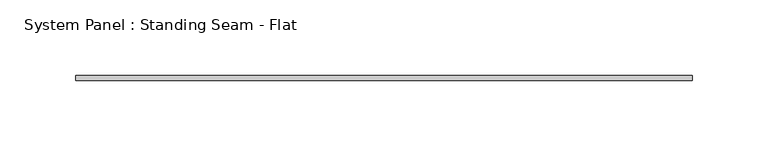
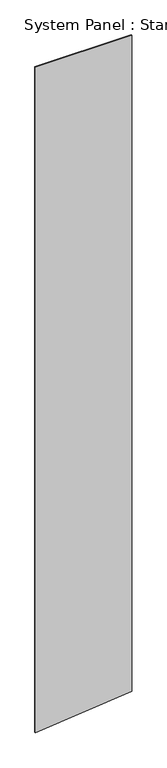
"""IFC4 building model written with IfcOpenShell, lengths in millimetres: plate geometry, System Panel : Standing Seam - Flat."""

from ifc_helpers import new_model, si_unit, frame, origin, place, context, project, spatial, polyline, outline, extrude, source, transform, mapped, element, save


def system_panel_standing_seam_flat_8ab15f6b(model_context):
    return source(origin(), model_context, "Body", "SweptSolid", [
        extrude(outline(polyline([(0.0, -203.2), (41.2973855, 203.2), (2970.5874583, 203.2), (2970.5874583, -203.2), (0.0, -203.2)])), frame((0.0, -1.5875, 0.0), z_axis=(0.0, 1.0, 0.0), x_axis=(0.0, 0.0, 1.0)), (0.0, 0.0, 1.0), 3.175),
    ])


if __name__ == "__main__":
    model = new_model("IFC4")
    model_context = context("Model", 3, world=origin())
    ifc_project = project(units=[si_unit("LENGTHUNIT", "METRE", prefix="MILLI")], contexts=[model_context])
    site = spatial("IfcSite", under=ifc_project)
    building = spatial("IfcBuilding", under=site)
    placement = place(None, origin())
    system_panel_standing_seam_flat_shape = system_panel_standing_seam_flat_8ab15f6b(model_context)
    element("IfcPlate", 1, ObjectType="System Panel : Standing Seam - Flat", at=placement, inside=building, context=model_context, shape_type="MappedRepresentation", body=[
        mapped(system_panel_standing_seam_flat_shape, transform((0.0, 0.0, 0.0), x_axis=(1.0, 0.0, 0.0), y_axis=(0.0, 1.0, 0.0), z_axis=(0.0, 0.0, 1.0))),
    ])
    save(model, "model.ifc")
